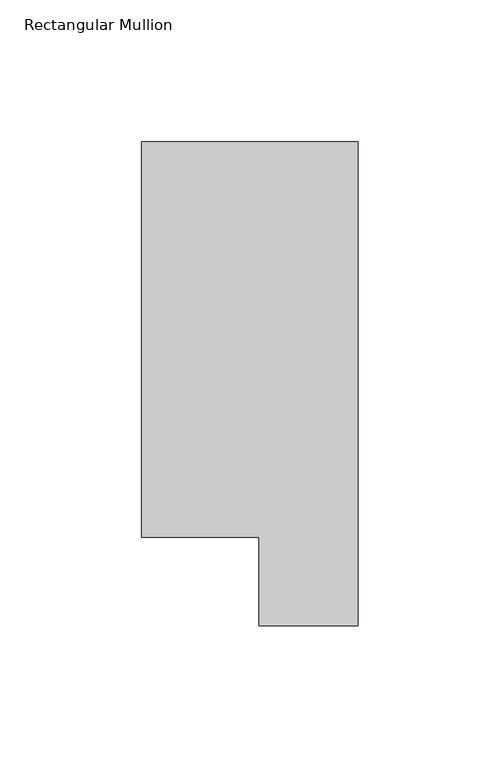
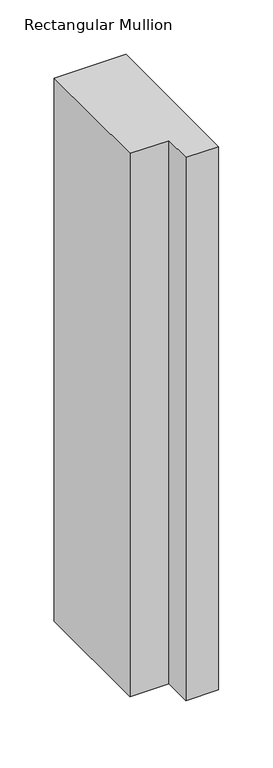
"""IFC4 building model written with IfcOpenShell, lengths in millimetres: member geometry, Rectangular Mullion."""

from ifc_helpers import new_model, si_unit, frame, origin, place, context, project, spatial, polyline, outline, extrude, source, transform, mapped, element, save


def rectangular_mullion_5afe282d(model_context):
    return source(origin(), model_context, "Body", "SweptSolid", [
        extrude(outline(polyline([(-76.2, 190.0007313), (0.0, 190.0007313), (0.0, 19.5667313), (-34.9123, 19.5667313), (-34.9123, 50.820278), (-76.2, 50.820278), (-76.2, 190.0007313)])), frame((0.0, 0.0, -609.56825), z_axis=(0.0, 0.0, 1.0), x_axis=(1.0, 0.0, 0.0)), (0.0, 0.0, 1.0), 609.56825),
    ])


if __name__ == "__main__":
    model = new_model("IFC4")
    model_context = context("Model", 3, world=origin())
    ifc_project = project(units=[si_unit("LENGTHUNIT", "METRE", prefix="MILLI")], contexts=[model_context])
    site = spatial("IfcSite", under=ifc_project)
    building = spatial("IfcBuilding", under=site)
    placement = place(None, origin())
    rectangular_mullion_shape = rectangular_mullion_5afe282d(model_context)
    element("IfcMember", 1, ObjectType="Rectangular Mullion", at=placement, inside=building, context=model_context, shape_type="MappedRepresentation", body=[
        mapped(rectangular_mullion_shape, transform((0.0, 0.0, 0.0), x_axis=(1.0, 0.0, 0.0), y_axis=(0.0, 1.0, 0.0), z_axis=(0.0, 0.0, 1.0))),
    ])
    save(model, "model.ifc")
